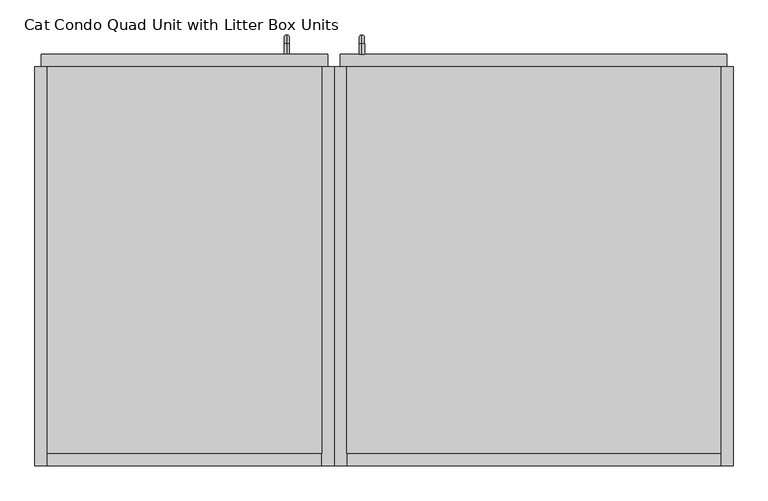
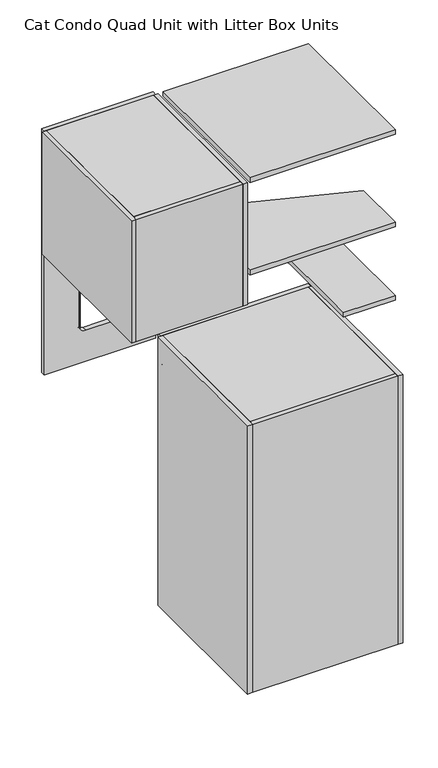
"""IFC4 building model written with IfcOpenShell, lengths in millimetres: proxy geometry, Cat Condo Quad Unit with Litter Box Units."""

from ifc_helpers import new_model, si_unit, point, frame, frame_2d, origin, origin_with_axes, place, context, project, spatial, polyline, circle_curve, ellipse_curve, trimmed, segment, composite_curve, outline, extrude, source, transform, mapped, element, save
from ifc_brep_helpers import plane_surface, cylinder_surface, revolved_surface, advanced_brep


def cat_condo_quad_unit_with_litter_box_units_2b3ce8f5(model_context):
    return source(origin(), model_context, "Body", "SolidModel", [
        extrude(outline(composite_curve([segment(trimmed(circle_curve(frame_2d((765.0919665, 9.6602248)), 0.79375), [point((764.2982165, 9.6602248))], [point((765.8857165, 9.6602248))], False, "CARTESIAN"), True, "CONTINUOUS"), segment(trimmed(circle_curve(frame_2d((765.0919665, 9.6602248)), 0.79375), [point((765.8857165, 9.6602248))], [point((764.2982165, 9.6602248))], False, "CARTESIAN"), True, "CONTINUOUS")], self_intersect=False)), frame((0.0, 0.0, 1243.0125), z_axis=(0.0, 0.0, 1.0), x_axis=(1.0, 0.0, 0.0)), (0.0, 0.0, 1.0), 298.45),
        extrude(outline(polyline([(1619.25, 619.125), (1112.8375, 619.125), (1112.8375, 1057.275), (1619.25, 1057.275), (1619.25, 619.125)]), holes=[composite_curve([segment(trimmed(circle_curve(frame_2d((1514.475, 895.35)), 25.4), [point((1539.875, 895.35))], [point((1514.475, 920.75))], True, "CARTESIAN"), True, "CONTINUOUS"), segment(polyline([(1514.475, 920.75), (1268.4125, 920.75)]), True, "CONTINUOUS"), segment(trimmed(circle_curve(frame_2d((1268.4125, 895.35)), 25.4), [point((1268.4125, 920.75))], [point((1243.0125, 895.35))], True, "CARTESIAN"), True, "CONTINUOUS"), segment(polyline([(1243.0125, 895.35), (1243.0125, 781.05)]), True, "CONTINUOUS"), segment(trimmed(circle_curve(frame_2d((1268.4125, 781.05)), 25.4), [point((1243.0125, 781.05))], [point((1268.4125, 755.65))], True, "CARTESIAN"), True, "CONTINUOUS"), segment(polyline([(1268.4125, 755.65), (1514.475, 755.65)]), True, "CONTINUOUS"), segment(trimmed(circle_curve(frame_2d((1514.475, 781.05)), 25.4), [point((1514.475, 755.65))], [point((1539.875, 781.05))], True, "CARTESIAN"), True, "CONTINUOUS"), segment(polyline([(1539.875, 781.05), (1539.875, 895.35)]), True, "CONTINUOUS")], self_intersect=False)]), frame((0.0, 0.0, 0.0), z_axis=(0.0, 1.0, 0.0), x_axis=(0.0, 0.0, 1.0)), (0.0, 0.0, 1.0), 19.05),
        advanced_brep(
        [(994.1819084, 19.05, 1761.3743154), (994.1819084, 19.05, 1769.2256846), (994.1819084, 35.2117768, 1769.2256846), (994.1819084, 35.2117768, 1761.3743154), (994.1819084, 48.3756846, 1756.0617768), (994.1819084, 40.5243154, 1756.0617768), (994.1819084, 48.3756846, 1672.9382232), (994.1819084, 40.5243154, 1672.9382232), (994.1819084, 35.2117768, 1659.7743154), (994.1819084, 35.2117768, 1667.6256846), (994.1819084, 19.05, 1667.6256846), (994.1819084, 19.05, 1659.7743154)],
        [
            (0, 1, circle_curve(frame((994.1819084, 19.05, 1765.3), z_axis=(0.0, -1.0, 0.0), x_axis=(0.0, 0.0, 1.0)), 3.9256846)),
            (1, 0, circle_curve(frame((994.1819084, 19.05, 1765.3), z_axis=(0.0, -1.0, 0.0), x_axis=(0.0, 0.0, 1.0)), 3.9256846)),
            (1, 2),
            (2, 3, circle_curve(frame((994.1819084, 35.2117768, 1765.3), z_axis=(0.0, -1.0, 0.0), x_axis=(0.0, 0.0, 1.0)), 3.9256846)),
            (3, 0),
            (3, 2, circle_curve(frame((994.1819084, 35.2117768, 1765.3), z_axis=(0.0, -1.0, 0.0), x_axis=(0.0, 0.0, 1.0)), 3.9256846)),
            (4, 5, circle_curve(frame((994.1819084, 44.45, 1756.0617768), z_axis=(0.0, 0.0, 1.0), x_axis=(0.0, 1.0000000000000002, 0.0)), 3.9256846)),
            (5, 3, circle_curve(frame((994.1819084, 35.2117768, 1756.0617768), z_axis=(1.0, 0.0, 0.0), x_axis=(0.0, 0.0, 1.0)), 5.3125387)),
            (2, 4, circle_curve(frame((994.1819084, 35.2117768, 1756.0617768), z_axis=(-1.0, 0.0, 0.0), x_axis=(0.0, 0.0, 1.0)), 13.1639078)),
            (5, 4, circle_curve(frame((994.1819084, 44.45, 1756.0617768), z_axis=(0.0, 0.0, 1.0), x_axis=(0.0, 1.0000000000000002, 0.0)), 3.9256846)),
            (4, 6),
            (6, 7, circle_curve(frame((994.1819084, 44.45, 1672.9382232), z_axis=(0.0, 0.0, 1.0), x_axis=(0.0, 1.0000000000000002, 0.0)), 3.9256846)),
            (7, 5),
            (7, 6, circle_curve(frame((994.1819084, 44.45, 1672.9382232), z_axis=(0.0, 0.0, 1.0), x_axis=(0.0, 1.0000000000000002, 0.0)), 3.9256846)),
            (8, 9, circle_curve(frame((994.1819084, 35.2117768, 1663.7), z_axis=(0.0, 1.0000000000000002, 0.0), x_axis=(0.0, 0.0, -1.0)), 3.9256846)),
            (9, 7, circle_curve(frame((994.1819084, 35.2117768, 1672.9382232), z_axis=(1.0, 0.0, 0.0), x_axis=(0.0, 1.0000000000000002, 0.0)), 5.3125387)),
            (6, 8, circle_curve(frame((994.1819084, 35.2117768, 1672.9382232), z_axis=(-1.0, 0.0, 0.0), x_axis=(0.0, 1.0000000000000002, 0.0)), 13.1639078)),
            (9, 8, circle_curve(frame((994.1819084, 35.2117768, 1663.7), z_axis=(0.0, 1.0000000000000002, 0.0), x_axis=(0.0, 0.0, -1.0)), 3.9256846)),
            (10, 11, circle_curve(frame((994.1819084, 19.05, 1663.7), z_axis=(0.0, -1.0, 0.0), x_axis=(0.0, 0.0, -1.0)), 3.9256846)),
            (11, 10, circle_curve(frame((994.1819084, 19.05, 1663.7), z_axis=(0.0, -1.0, 0.0), x_axis=(0.0, 0.0, -1.0)), 3.9256846)),
            (8, 11),
            (10, 9),
        ],
        [
            plane_surface(frame((994.1819084, 19.05, 1765.3), z_axis=(0.0, -1.0, 0.0), x_axis=(1.0, 0.0, 0.0))),
            cylinder_surface(frame((994.1819084, 19.05, 1765.3), z_axis=(0.0, -1.0000000000000002, 0.0), x_axis=(0.0, 0.0, 1.0)), 3.9256846),
            revolved_surface(trimmed(ellipse_curve(frame((994.1819084, 35.2117768, 1765.3), z_axis=(0.0, 1.0000000000000002, 0.0), x_axis=(0.0, 0.0, 1.0)), 3.9256846, 3.9256846), [point((994.1819084, 35.2117768, 1761.3743154))], [point((994.1819084, 35.2117768, 1769.2256846))], True, "CARTESIAN"), (994.1819084, 35.2117768, 1756.0617768), (1.0000000000000002, 0.0, 0.0)),
            revolved_surface(trimmed(ellipse_curve(frame((994.1819084, 35.2117768, 1765.3), z_axis=(0.0, 1.0000000000000002, 0.0), x_axis=(0.0, 0.0, 1.0)), 3.9256846, 3.9256846), [point((994.1819084, 35.2117768, 1769.2256846))], [point((994.1819084, 35.2117768, 1761.3743154))], True, "CARTESIAN"), (994.1819084, 35.2117768, 1756.0617768), (1.0000000000000002, 0.0, 0.0)),
            cylinder_surface(frame((994.1819084, 44.45, 1756.0617768), z_axis=(0.0, 0.0, 1.0), x_axis=(0.0, 1.0000000000000002, 0.0)), 3.9256846),
            revolved_surface(trimmed(ellipse_curve(frame((994.1819084, 44.45, 1672.9382232), z_axis=(0.0, 0.0, -1.0), x_axis=(0.0, 1.0000000000000002, 0.0)), 3.9256846, 3.9256846), [point((994.1819084, 40.5243154, 1672.9382232))], [point((994.1819084, 48.3756846, 1672.9382232))], True, "CARTESIAN"), (994.1819084, 35.2117768, 1672.9382232), (1.0000000000000002, 0.0, 0.0)),
            revolved_surface(trimmed(ellipse_curve(frame((994.1819084, 44.45, 1672.9382232), z_axis=(0.0, 0.0, -1.0), x_axis=(0.0, 1.0000000000000002, 0.0)), 3.9256846, 3.9256846), [point((994.1819084, 48.3756846, 1672.9382232))], [point((994.1819084, 40.5243154, 1672.9382232))], True, "CARTESIAN"), (994.1819084, 35.2117768, 1672.9382232), (1.0000000000000002, 0.0, 0.0)),
            plane_surface(frame((994.1819084, 19.05, 1663.7), z_axis=(0.0, -1.0, 0.0), x_axis=(1.0, 0.0, 0.0))),
            cylinder_surface(frame((994.1819084, 35.2117768, 1663.7), z_axis=(0.0, 1.0000000000000002, 0.0), x_axis=(0.0, 0.0, -1.0)), 3.9256846),
        ],
        [
            (0, [[1, 2]]),
            (1, [[3, 4, 5, -2]]),
            (1, [[-5, 6, -3, -1]]),
            (2, [[7, 8, -4, 9]]),
            (3, [[10, -9, -6, -8]]),
            (4, [[11, 12, 13, -7]]),
            (4, [[-13, 14, -11, -10]]),
            (5, [[15, 16, -12, 17]]),
            (6, [[18, -17, -14, -16]]),
            (7, [[19, 20]]),
            (8, [[21, -19, 22, -15]]),
            (8, [[-22, -20, -21, -18]]),
        ],
    ),
        extrude(outline(polyline([(1047.75, -590.55), (628.65, -590.55), (628.65, 0.0), (1047.75, 0.0), (1047.75, -590.55)])), frame((0.0, 0.0, 2106.6125), z_axis=(0.0, 0.0, 1.0), x_axis=(1.0, 0.0, 0.0)), (0.0, 0.0, 1.0), 19.05),
        extrude(outline(polyline([(1047.75, 0.0), (1047.75, -590.55), (628.65, -590.55), (628.65, 0.0), (1047.75, 0.0)])), frame((0.0, 0.0, 1619.25), z_axis=(0.0, 0.0, 1.0), x_axis=(1.0, 0.0, 0.0)), (0.0, 0.0, 1.0), 19.05),
        extrude(outline(polyline([(1047.75, -609.6), (1047.75, 0.0), (1066.8, 0.0), (1066.8, -609.6), (1047.75, -609.6)])), frame((0.0, 0.0, 1619.25), z_axis=(0.0, 0.0, 1.0), x_axis=(1.0, 0.0, 0.0)), (0.0, 0.0, 1.0), 506.4125),
        extrude(outline(polyline([(1047.75, -609.6), (628.65, -609.6), (628.65, -590.55), (1047.75, -590.55), (1047.75, -609.6)])), frame((0.0, 0.0, 1619.25), z_axis=(0.0, 0.0, 1.0), x_axis=(1.0, 0.0, 0.0)), (0.0, 0.0, 1.0), 506.4125),
        extrude(outline(polyline([(628.65, -609.6), (609.6, -609.6), (609.6, 0.0), (628.65, 0.0), (628.65, -609.6)])), frame((0.0, 0.0, 1619.25), z_axis=(0.0, 0.0, 1.0), x_axis=(1.0, 0.0, 0.0)), (0.0, 0.0, 1.0), 506.4125),
        extrude(outline(composite_curve([segment(trimmed(circle_curve(frame_2d((9.6602248, 1943.1)), 0.79375), [point((9.6602248, 1943.89375))], [point((9.6602248, 1942.30625))], False, "CARTESIAN"), True, "CONTINUOUS"), segment(trimmed(circle_curve(frame_2d((9.6602248, 1943.1)), 0.79375), [point((9.6602248, 1942.30625))], [point((9.6602248, 1943.89375))], False, "CARTESIAN"), True, "CONTINUOUS")], self_intersect=False)), frame((755.65, 0.0, 0.0), z_axis=(1.0, 0.0, 0.0), x_axis=(0.0, 1.0, 0.0)), (0.0, 0.0, 1.0), 165.1),
        extrude(outline(composite_curve([segment(trimmed(circle_curve(frame_2d((9.6602248, 1839.9125)), 0.79375), [point((9.6602248, 1840.70625))], [point((9.6602248, 1839.11875))], False, "CARTESIAN"), True, "CONTINUOUS"), segment(trimmed(circle_curve(frame_2d((9.6602248, 1839.9125)), 0.79375), [point((9.6602248, 1839.11875))], [point((9.6602248, 1840.70625))], False, "CARTESIAN"), True, "CONTINUOUS")], self_intersect=False)), frame((755.65, 0.0, 0.0), z_axis=(1.0, 0.0, 0.0), x_axis=(0.0, 1.0, 0.0)), (0.0, 0.0, 1.0), 165.1),
        extrude(outline(composite_curve([segment(trimmed(circle_curve(frame_2d((917.4919665, 9.6602248)), 0.79375), [point((916.6982165, 9.6602248))], [point((918.2857165, 9.6602248))], False, "CARTESIAN"), True, "CONTINUOUS"), segment(trimmed(circle_curve(frame_2d((917.4919665, 9.6602248)), 0.79375), [point((918.2857165, 9.6602248))], [point((916.6982165, 9.6602248))], False, "CARTESIAN"), True, "CONTINUOUS")], self_intersect=False)), frame((0.0, 0.0, 1749.425), z_axis=(0.0, 0.0, 1.0), x_axis=(1.0, 0.0, 0.0)), (0.0, 0.0, 1.0), 298.45),
        extrude(outline(composite_curve([segment(trimmed(circle_curve(frame_2d((892.0919665, 9.6602248)), 0.79375), [point((891.2982165, 9.6602248))], [point((892.8857165, 9.6602248))], False, "CARTESIAN"), True, "CONTINUOUS"), segment(trimmed(circle_curve(frame_2d((892.0919665, 9.6602248)), 0.79375), [point((892.8857165, 9.6602248))], [point((891.2982165, 9.6602248))], False, "CARTESIAN"), True, "CONTINUOUS")], self_intersect=False)), frame((0.0, 0.0, 1749.425), z_axis=(0.0, 0.0, 1.0), x_axis=(1.0, 0.0, 0.0)), (0.0, 0.0, 1.0), 298.45),
        extrude(outline(composite_curve([segment(trimmed(circle_curve(frame_2d((866.6919665, 9.6602248)), 0.79375), [point((865.8982165, 9.6602248))], [point((867.4857165, 9.6602248))], False, "CARTESIAN"), True, "CONTINUOUS"), segment(trimmed(circle_curve(frame_2d((866.6919665, 9.6602248)), 0.79375), [point((867.4857165, 9.6602248))], [point((865.8982165, 9.6602248))], False, "CARTESIAN"), True, "CONTINUOUS")], self_intersect=False)), frame((0.0, 0.0, 1749.425), z_axis=(0.0, 0.0, 1.0), x_axis=(1.0, 0.0, 0.0)), (0.0, 0.0, 1.0), 298.45),
        extrude(outline(composite_curve([segment(trimmed(circle_curve(frame_2d((841.2919665, 9.6602248)), 0.79375), [point((840.4982165, 9.6602248))], [point((842.0857165, 9.6602248))], False, "CARTESIAN"), True, "CONTINUOUS"), segment(trimmed(circle_curve(frame_2d((841.2919665, 9.6602248)), 0.79375), [point((842.0857165, 9.6602248))], [point((840.4982165, 9.6602248))], False, "CARTESIAN"), True, "CONTINUOUS")], self_intersect=False)), frame((0.0, 0.0, 1749.425), z_axis=(0.0, 0.0, 1.0), x_axis=(1.0, 0.0, 0.0)), (0.0, 0.0, 1.0), 298.45),
        extrude(outline(composite_curve([segment(trimmed(circle_curve(frame_2d((815.8919665, 9.6602248)), 0.79375), [point((815.0982165, 9.6602248))], [point((816.6857165, 9.6602248))], False, "CARTESIAN"), True, "CONTINUOUS"), segment(trimmed(circle_curve(frame_2d((815.8919665, 9.6602248)), 0.79375), [point((816.6857165, 9.6602248))], [point((815.0982165, 9.6602248))], False, "CARTESIAN"), True, "CONTINUOUS")], self_intersect=False)), frame((0.0, 0.0, 1749.425), z_axis=(0.0, 0.0, 1.0), x_axis=(1.0, 0.0, 0.0)), (0.0, 0.0, 1.0), 298.45),
        extrude(outline(composite_curve([segment(trimmed(circle_curve(frame_2d((790.4919665, 9.6602248)), 0.79375), [point((789.6982165, 9.6602248))], [point((791.2857165, 9.6602248))], False, "CARTESIAN"), True, "CONTINUOUS"), segment(trimmed(circle_curve(frame_2d((790.4919665, 9.6602248)), 0.79375), [point((791.2857165, 9.6602248))], [point((789.6982165, 9.6602248))], False, "CARTESIAN"), True, "CONTINUOUS")], self_intersect=False)), frame((0.0, 0.0, 1749.425), z_axis=(0.0, 0.0, 1.0), x_axis=(1.0, 0.0, 0.0)), (0.0, 0.0, 1.0), 298.45),
        extrude(outline(composite_curve([segment(trimmed(circle_curve(frame_2d((765.0919665, 9.6602248)), 0.79375), [point((764.2982165, 9.6602248))], [point((765.8857165, 9.6602248))], False, "CARTESIAN"), True, "CONTINUOUS"), segment(trimmed(circle_curve(frame_2d((765.0919665, 9.6602248)), 0.79375), [point((765.8857165, 9.6602248))], [point((764.2982165, 9.6602248))], False, "CARTESIAN"), True, "CONTINUOUS")], self_intersect=False)), frame((0.0, 0.0, 1749.425), z_axis=(0.0, 0.0, 1.0), x_axis=(1.0, 0.0, 0.0)), (0.0, 0.0, 1.0), 298.45),
        extrude(outline(composite_curve([segment(trimmed(circle_curve(frame_2d((892.0919665, 9.6602248)), 0.79375), [point((891.2982165, 9.6602248))], [point((892.8857165, 9.6602248))], False, "CARTESIAN"), True, "CONTINUOUS"), segment(trimmed(circle_curve(frame_2d((892.0919665, 9.6602248)), 0.79375), [point((892.8857165, 9.6602248))], [point((891.2982165, 9.6602248))], False, "CARTESIAN"), True, "CONTINUOUS")], self_intersect=False)), frame((0.0, 0.0, 1749.425), z_axis=(0.0, 0.0, 1.0), x_axis=(1.0, 0.0, 0.0)), (0.0, 0.0, 1.0), 298.45),
        extrude(outline(composite_curve([segment(trimmed(circle_curve(frame_2d((866.6919665, 9.6602248)), 0.79375), [point((865.8982165, 9.6602248))], [point((867.4857165, 9.6602248))], False, "CARTESIAN"), True, "CONTINUOUS"), segment(trimmed(circle_curve(frame_2d((866.6919665, 9.6602248)), 0.79375), [point((867.4857165, 9.6602248))], [point((865.8982165, 9.6602248))], False, "CARTESIAN"), True, "CONTINUOUS")], self_intersect=False)), frame((0.0, 0.0, 1749.425), z_axis=(0.0, 0.0, 1.0), x_axis=(1.0, 0.0, 0.0)), (0.0, 0.0, 1.0), 298.45),
        extrude(outline(composite_curve([segment(trimmed(circle_curve(frame_2d((841.2919665, 9.6602248)), 0.79375), [point((840.4982165, 9.6602248))], [point((842.0857165, 9.6602248))], False, "CARTESIAN"), True, "CONTINUOUS"), segment(trimmed(circle_curve(frame_2d((841.2919665, 9.6602248)), 0.79375), [point((842.0857165, 9.6602248))], [point((840.4982165, 9.6602248))], False, "CARTESIAN"), True, "CONTINUOUS")], self_intersect=False)), frame((0.0, 0.0, 1749.425), z_axis=(0.0, 0.0, 1.0), x_axis=(1.0, 0.0, 0.0)), (0.0, 0.0, 1.0), 298.45),
        extrude(outline(composite_curve([segment(trimmed(circle_curve(frame_2d((815.8919665, 9.6602248)), 0.79375), [point((815.0982165, 9.6602248))], [point((816.6857165, 9.6602248))], False, "CARTESIAN"), True, "CONTINUOUS"), segment(trimmed(circle_curve(frame_2d((815.8919665, 9.6602248)), 0.79375), [point((816.6857165, 9.6602248))], [point((815.0982165, 9.6602248))], False, "CARTESIAN"), True, "CONTINUOUS")], self_intersect=False)), frame((0.0, 0.0, 1749.425), z_axis=(0.0, 0.0, 1.0), x_axis=(1.0, 0.0, 0.0)), (0.0, 0.0, 1.0), 298.45),
        extrude(outline(composite_curve([segment(trimmed(circle_curve(frame_2d((790.4919665, 9.6602248)), 0.79375), [point((789.6982165, 9.6602248))], [point((791.2857165, 9.6602248))], False, "CARTESIAN"), True, "CONTINUOUS"), segment(trimmed(circle_curve(frame_2d((790.4919665, 9.6602248)), 0.79375), [point((791.2857165, 9.6602248))], [point((789.6982165, 9.6602248))], False, "CARTESIAN"), True, "CONTINUOUS")], self_intersect=False)), frame((0.0, 0.0, 1749.425), z_axis=(0.0, 0.0, 1.0), x_axis=(1.0, 0.0, 0.0)), (0.0, 0.0, 1.0), 298.45),
        extrude(outline(composite_curve([segment(trimmed(circle_curve(frame_2d((765.0919665, 9.6602248)), 0.79375), [point((764.2982165, 9.6602248))], [point((765.8857165, 9.6602248))], False, "CARTESIAN"), True, "CONTINUOUS"), segment(trimmed(circle_curve(frame_2d((765.0919665, 9.6602248)), 0.79375), [point((765.8857165, 9.6602248))], [point((764.2982165, 9.6602248))], False, "CARTESIAN"), True, "CONTINUOUS")], self_intersect=False)), frame((0.0, 0.0, 1749.425), z_axis=(0.0, 0.0, 1.0), x_axis=(1.0, 0.0, 0.0)), (0.0, 0.0, 1.0), 298.45),
        extrude(outline(polyline([(2125.6625, 619.125), (1619.25, 619.125), (1619.25, 1057.275), (2125.6625, 1057.275), (2125.6625, 619.125)]), holes=[composite_curve([segment(trimmed(circle_curve(frame_2d((2020.8875, 895.35)), 25.4), [point((2046.2875, 895.35))], [point((2020.8875, 920.75))], True, "CARTESIAN"), True, "CONTINUOUS"), segment(polyline([(2020.8875, 920.75), (1774.825, 920.75)]), True, "CONTINUOUS"), segment(trimmed(circle_curve(frame_2d((1774.825, 895.35)), 25.4), [point((1774.825, 920.75))], [point((1749.425, 895.35))], True, "CARTESIAN"), True, "CONTINUOUS"), segment(polyline([(1749.425, 895.35), (1749.425, 781.05)]), True, "CONTINUOUS"), segment(trimmed(circle_curve(frame_2d((1774.825, 781.05)), 25.4), [point((1749.425, 781.05))], [point((1774.825, 755.65))], True, "CARTESIAN"), True, "CONTINUOUS"), segment(polyline([(1774.825, 755.65), (2020.8875, 755.65)]), True, "CONTINUOUS"), segment(trimmed(circle_curve(frame_2d((2020.8875, 781.05)), 25.4), [point((2020.8875, 755.65))], [point((2046.2875, 781.05))], True, "CARTESIAN"), True, "CONTINUOUS"), segment(polyline([(2046.2875, 781.05), (2046.2875, 895.35)]), True, "CONTINUOUS")], self_intersect=False)]), frame((0.0, 0.0, 0.0), z_axis=(0.0, 1.0, 0.0), x_axis=(0.0, 0.0, 1.0)), (0.0, 0.0, 1.0), 19.05),
        advanced_brep(
        [(1109.2871577, 19.05, 1056.5243154), (1109.2871577, 19.05, 1064.3756846), (1109.2871577, 35.2117768, 1064.3756846), (1109.2871577, 35.2117768, 1056.5243154), (1109.2871577, 35.2117768, 962.7756846), (1109.2871577, 35.2117768, 954.9243154), (1109.2871577, 19.05, 954.9243154), (1109.2871577, 19.05, 962.7756846), (1109.2871577, 48.3756846, 1051.2117768), (1109.2871577, 40.5243154, 1051.2117768), (1109.2871577, 40.5243154, 968.0882232), (1109.2871577, 48.3756846, 968.0882232)],
        [
            (0, 1, circle_curve(frame((1109.2871577, 19.05, 1060.45), z_axis=(0.0, -1.0, 0.0), x_axis=(0.0, 0.0, 1.0)), 3.9256846)),
            (1, 0, circle_curve(frame((1109.2871577, 19.05, 1060.45), z_axis=(0.0, -1.0, 0.0), x_axis=(0.0, 0.0, 1.0)), 3.9256846)),
            (1, 2),
            (2, 3, circle_curve(frame((1109.2871577, 35.2117768, 1060.45), z_axis=(0.0, -1.0, 0.0), x_axis=(0.0, 0.0, 1.0)), 3.9256846)),
            (3, 0),
            (4, 5, circle_curve(frame((1109.2871577, 35.2117768, 958.85), z_axis=(0.0, -1.0, 0.0), x_axis=(0.0, 0.0, -1.0)), 3.9256846)),
            (5, 6),
            (6, 7, circle_curve(frame((1109.2871577, 19.05, 958.85), z_axis=(0.0, 1.0, 0.0), x_axis=(0.0, 0.0, -1.0)), 3.9256846)),
            (7, 4),
            (3, 2, circle_curve(frame((1109.2871577, 35.2117768, 1060.45), z_axis=(0.0, -1.0, 0.0), x_axis=(0.0, 0.0, 1.0)), 3.9256846)),
            (8, 2, circle_curve(frame((1109.2871577, 35.2117768, 1051.2117768), z_axis=(1.0, 0.0, 0.0), x_axis=(0.0, 0.0, 1.0)), 13.1639078)),
            (3, 9, circle_curve(frame((1109.2871577, 35.2117768, 1051.2117768), z_axis=(-1.0, 0.0, 0.0), x_axis=(0.0, 0.0, 1.0)), 5.3125387)),
            (9, 8, circle_curve(frame((1109.2871577, 44.45, 1051.2117768), z_axis=(0.0, 0.0, 1.0), x_axis=(0.0, 1.0, 0.0)), 3.9256846)),
            (8, 9, circle_curve(frame((1109.2871577, 44.45, 1051.2117768), z_axis=(0.0, 0.0, 1.0), x_axis=(0.0, 1.0, 0.0)), 3.9256846)),
            (9, 10),
            (10, 11, circle_curve(frame((1109.2871577, 44.45, 968.0882232), z_axis=(0.0, 0.0, 1.0), x_axis=(0.0, 1.0, 0.0)), 3.9256846)),
            (11, 8),
            (11, 10, circle_curve(frame((1109.2871577, 44.45, 968.0882232), z_axis=(0.0, 0.0, 1.0), x_axis=(0.0, 1.0, 0.0)), 3.9256846)),
            (5, 11, circle_curve(frame((1109.2871577, 35.2117768, 968.0882232), z_axis=(1.0, 0.0, 0.0), x_axis=(0.0, 1.0, 0.0)), 13.1639078)),
            (10, 4, circle_curve(frame((1109.2871577, 35.2117768, 968.0882232), z_axis=(-1.0, 0.0, 0.0), x_axis=(0.0, 1.0, 0.0)), 5.3125387)),
            (4, 5, circle_curve(frame((1109.2871577, 35.2117768, 958.85), z_axis=(0.0, 1.0, 0.0), x_axis=(0.0, 0.0, -1.0)), 3.9256846)),
            (6, 7, circle_curve(frame((1109.2871577, 19.05, 958.85), z_axis=(0.0, -1.0, 0.0), x_axis=(0.0, 0.0, -1.0)), 3.9256846)),
        ],
        [
            plane_surface(frame((1109.2871577, 19.05, 1060.45), z_axis=(0.0, -1.0, 0.0), x_axis=(-1.0, 0.0, 0.0))),
            cylinder_surface(frame((1109.2871577, 19.05, 1060.45), z_axis=(0.0, -1.0, 0.0), x_axis=(0.0, 0.0, 1.0)), 3.9256846),
            cylinder_surface(frame((1109.2871577, 35.2117768, 958.85), z_axis=(0.0, 1.0, 0.0), x_axis=(0.0, 0.0, -1.0)), 3.9256846),
            revolved_surface(trimmed(ellipse_curve(frame((1109.2871577, 35.2117768, 1060.45), z_axis=(0.0, -1.0, 0.0), x_axis=(0.0, 0.0, 1.0)), 3.9256846, 3.9256846), [point((1109.2871577, 35.2117768, 1056.5243154))], [point((1109.2871577, 35.2117768, 1064.3756846))], True, "CARTESIAN"), (1109.2871577, 35.2117768, 1051.2117768), (-1.0, 0.0, 0.0)),
            revolved_surface(trimmed(ellipse_curve(frame((1109.2871577, 35.2117768, 1060.45), z_axis=(0.0, -1.0, 0.0), x_axis=(0.0, 0.0, 1.0)), 3.9256846, 3.9256846), [point((1109.2871577, 35.2117768, 1064.3756846))], [point((1109.2871577, 35.2117768, 1056.5243154))], True, "CARTESIAN"), (1109.2871577, 35.2117768, 1051.2117768), (-1.0, 0.0, 0.0)),
            cylinder_surface(frame((1109.2871577, 44.45, 1051.2117768), z_axis=(0.0, 0.0, 1.0), x_axis=(0.0, 1.0, 0.0)), 3.9256846),
            revolved_surface(trimmed(ellipse_curve(frame((1109.2871577, 44.45, 968.0882232), z_axis=(0.0, 0.0, 1.0), x_axis=(0.0, 1.0, 0.0)), 3.9256846, 3.9256846), [point((1109.2871577, 40.5243154, 968.0882232))], [point((1109.2871577, 48.3756846, 968.0882232))], True, "CARTESIAN"), (1109.2871577, 35.2117768, 968.0882232), (-1.0, 0.0, 0.0)),
            revolved_surface(trimmed(ellipse_curve(frame((1109.2871577, 44.45, 968.0882232), z_axis=(0.0, 0.0, 1.0), x_axis=(0.0, 1.0, 0.0)), 3.9256846, 3.9256846), [point((1109.2871577, 48.3756846, 968.0882232))], [point((1109.2871577, 40.5243154, 968.0882232))], True, "CARTESIAN"), (1109.2871577, 35.2117768, 968.0882232), (-1.0, 0.0, 0.0)),
            plane_surface(frame((1109.2871577, 19.05, 958.85), z_axis=(0.0, -1.0, 0.0), x_axis=(-1.0, 0.0, 0.0))),
        ],
        [
            (0, [[1, 2]]),
            (1, [[-2, 3, 4, 5]]),
            (2, [[6, 7, 8, 9]]),
            (1, [[-1, -5, 10, -3]]),
            (3, [[11, -10, 12, 13]]),
            (4, [[-12, -4, -11, 14]]),
            (5, [[-13, 15, 16, 17]]),
            (5, [[-14, -17, 18, -15]]),
            (6, [[19, -16, 20, 21]]),
            (7, [[-20, -18, -19, -6]]),
            (8, [[-8, 22]]),
            (2, [[-21, -9, -22, -7]]),
        ],
    ),
        extrude(outline(polyline([(1085.85, -590.55), (1085.85, 0.0), (1657.35, 0.0), (1657.35, -590.55), (1085.85, -590.55)])), frame((0.0, 0.0, 1095.375), z_axis=(0.0, 0.0, 1.0), x_axis=(1.0, 0.0, 0.0)), (0.0, 0.0, 1.0), 19.05),
        extrude(outline(polyline([(1085.85, -590.55), (1085.85, -166.6410111), (1657.35, -374.65), (1657.35, -590.55), (1085.85, -590.55)])), frame((0.0, 0.0, 711.2), z_axis=(0.0, 0.0, 1.0), x_axis=(1.0, 0.0, 0.0)), (0.0, 0.0, 1.0), 19.05),
        extrude(outline(composite_curve([segment(polyline([(1454.15, -590.55), (1454.15, -101.6)]), True, "CONTINUOUS"), segment(trimmed(circle_curve(frame_2d((1530.35, -101.6)), 76.2), [point((1454.15, -101.6))], [point((1530.35, -25.4))], False, "CARTESIAN"), True, "CONTINUOUS"), segment(polyline([(1530.35, -25.4), (1657.35, -25.4), (1657.35, -590.55), (1454.15, -590.55)]), True, "CONTINUOUS")], self_intersect=False)), frame((0.0, 0.0, 406.4), z_axis=(0.0, 0.0, 1.0), x_axis=(1.0, 0.0, 0.0)), (0.0, 0.0, 1.0), 19.05),
        extrude(outline(polyline([(1085.85, 0.0), (1657.35, 0.0), (1657.35, -590.55), (1085.85, -590.55), (1085.85, 0.0)])), frame((0.0, 0.0, 101.6), z_axis=(0.0, 0.0, 1.0), x_axis=(1.0, 0.0, 0.0)), (0.0, 0.0, 1.0), 19.05),
        extrude(outline(polyline([(1085.85, -19.05), (1085.85, 0.0), (1657.35, 0.0), (1657.35, -19.05), (1085.85, -19.05)])), origin_with_axes(), (0.0, 0.0, 1.0), 101.6),
        extrude(outline(polyline([(1085.85, -609.6), (1066.8, -609.6), (1066.8, 0.0), (1085.85, 0.0), (1085.85, -609.6)])), origin_with_axes(), (0.0, 0.0, 1.0), 1114.425),
        extrude(outline(polyline([(1085.85, -609.6), (1085.85, -590.55), (1657.35, -590.55), (1657.35, -609.6), (1085.85, -609.6)])), origin_with_axes(), (0.0, 0.0, 1.0), 1114.425),
        extrude(outline(polyline([(1657.35, -609.6), (1657.35, 0.0), (1676.4, 0.0), (1676.4, -609.6), (1657.35, -609.6)])), origin_with_axes(), (0.0, 0.0, 1.0), 1114.425),
        extrude(outline(composite_curve([segment(trimmed(circle_curve(frame_2d((9.6602248, 931.8625)), 0.79375), [point((9.6602248, 932.65625))], [point((9.6602248, 931.06875))], False, "CARTESIAN"), True, "CONTINUOUS"), segment(trimmed(circle_curve(frame_2d((9.6602248, 931.8625)), 0.79375), [point((9.6602248, 931.06875))], [point((9.6602248, 932.65625))], False, "CARTESIAN"), True, "CONTINUOUS")], self_intersect=False)), frame((1146.96875, 0.0, 0.0), z_axis=(1.0, 0.0, 0.0), x_axis=(0.0, 1.0, 0.0)), (0.0, 0.0, 1.0), 450.85),
        extrude(outline(composite_curve([segment(trimmed(circle_curve(frame_2d((9.6602248, 830.2625)), 0.79375), [point((9.6602248, 831.05625))], [point((9.6602248, 829.46875))], False, "CARTESIAN"), True, "CONTINUOUS"), segment(trimmed(circle_curve(frame_2d((9.6602248, 830.2625)), 0.79375), [point((9.6602248, 829.46875))], [point((9.6602248, 831.05625))], False, "CARTESIAN"), True, "CONTINUOUS")], self_intersect=False)), frame((1146.96875, 0.0, 0.0), z_axis=(1.0, 0.0, 0.0), x_axis=(0.0, 1.0, 0.0)), (0.0, 0.0, 1.0), 450.85),
        extrude(outline(composite_curve([segment(trimmed(circle_curve(frame_2d((9.6602248, 728.6625)), 0.79375), [point((9.6602248, 729.45625))], [point((9.6602248, 727.86875))], False, "CARTESIAN"), True, "CONTINUOUS"), segment(trimmed(circle_curve(frame_2d((9.6602248, 728.6625)), 0.79375), [point((9.6602248, 727.86875))], [point((9.6602248, 729.45625))], False, "CARTESIAN"), True, "CONTINUOUS")], self_intersect=False)), frame((1146.96875, 0.0, 0.0), z_axis=(1.0, 0.0, 0.0), x_axis=(0.0, 1.0, 0.0)), (0.0, 0.0, 1.0), 450.85),
        extrude(outline(composite_curve([segment(trimmed(circle_curve(frame_2d((9.6602248, 627.0625)), 0.79375), [point((9.6602248, 627.85625))], [point((9.6602248, 626.26875))], False, "CARTESIAN"), True, "CONTINUOUS"), segment(trimmed(circle_curve(frame_2d((9.6602248, 627.0625)), 0.79375), [point((9.6602248, 626.26875))], [point((9.6602248, 627.85625))], False, "CARTESIAN"), True, "CONTINUOUS")], self_intersect=False)), frame((1146.96875, 0.0, 0.0), z_axis=(1.0, 0.0, 0.0), x_axis=(0.0, 1.0, 0.0)), (0.0, 0.0, 1.0), 450.85),
        extrude(outline(composite_curve([segment(trimmed(circle_curve(frame_2d((9.6602248, 525.4625)), 0.79375), [point((9.6602248, 526.25625))], [point((9.6602248, 524.66875))], False, "CARTESIAN"), True, "CONTINUOUS"), segment(trimmed(circle_curve(frame_2d((9.6602248, 525.4625)), 0.79375), [point((9.6602248, 524.66875))], [point((9.6602248, 526.25625))], False, "CARTESIAN"), True, "CONTINUOUS")], self_intersect=False)), frame((1146.96875, 0.0, 0.0), z_axis=(1.0, 0.0, 0.0), x_axis=(0.0, 1.0, 0.0)), (0.0, 0.0, 1.0), 450.85),
        extrude(outline(composite_curve([segment(trimmed(circle_curve(frame_2d((9.6602248, 423.8625)), 0.79375), [point((9.6602248, 424.65625))], [point((9.6602248, 423.06875))], False, "CARTESIAN"), True, "CONTINUOUS"), segment(trimmed(circle_curve(frame_2d((9.6602248, 423.8625)), 0.79375), [point((9.6602248, 423.06875))], [point((9.6602248, 424.65625))], False, "CARTESIAN"), True, "CONTINUOUS")], self_intersect=False)), frame((1146.96875, 0.0, 0.0), z_axis=(1.0, 0.0, 0.0), x_axis=(0.0, 1.0, 0.0)), (0.0, 0.0, 1.0), 450.85),
        extrude(outline(composite_curve([segment(trimmed(circle_curve(frame_2d((9.6602248, 322.2625)), 0.79375), [point((9.6602248, 323.05625))], [point((9.6602248, 321.46875))], False, "CARTESIAN"), True, "CONTINUOUS"), segment(trimmed(circle_curve(frame_2d((9.6602248, 322.2625)), 0.79375), [point((9.6602248, 321.46875))], [point((9.6602248, 323.05625))], False, "CARTESIAN"), True, "CONTINUOUS")], self_intersect=False)), frame((1146.96875, 0.0, 0.0), z_axis=(1.0, 0.0, 0.0), x_axis=(0.0, 1.0, 0.0)), (0.0, 0.0, 1.0), 450.85),
        extrude(outline(composite_curve([segment(trimmed(circle_curve(frame_2d((1165.3080335, 9.6602248)), 0.79375), [point((1166.1017835, 9.6602248))], [point((1164.5142835, 9.6602248))], False, "CARTESIAN"), True, "CONTINUOUS"), segment(trimmed(circle_curve(frame_2d((1165.3080335, 9.6602248)), 0.79375), [point((1164.5142835, 9.6602248))], [point((1166.1017835, 9.6602248))], False, "CARTESIAN"), True, "CONTINUOUS")], self_intersect=False)), frame((0.0, 0.0, 231.775), z_axis=(0.0, 0.0, 1.0), x_axis=(1.0, 0.0, 0.0)), (0.0, 0.0, 1.0), 803.275),
        extrude(outline(composite_curve([segment(trimmed(circle_curve(frame_2d((1190.7080335, 9.6602248)), 0.79375), [point((1191.5017835, 9.6602248))], [point((1189.9142835, 9.6602248))], False, "CARTESIAN"), True, "CONTINUOUS"), segment(trimmed(circle_curve(frame_2d((1190.7080335, 9.6602248)), 0.79375), [point((1189.9142835, 9.6602248))], [point((1191.5017835, 9.6602248))], False, "CARTESIAN"), True, "CONTINUOUS")], self_intersect=False)), frame((0.0, 0.0, 231.775), z_axis=(0.0, 0.0, 1.0), x_axis=(1.0, 0.0, 0.0)), (0.0, 0.0, 1.0), 803.275),
        extrude(outline(composite_curve([segment(trimmed(circle_curve(frame_2d((1216.1080335, 9.6602248)), 0.79375), [point((1216.9017835, 9.6602248))], [point((1215.3142835, 9.6602248))], False, "CARTESIAN"), True, "CONTINUOUS"), segment(trimmed(circle_curve(frame_2d((1216.1080335, 9.6602248)), 0.79375), [point((1215.3142835, 9.6602248))], [point((1216.9017835, 9.6602248))], False, "CARTESIAN"), True, "CONTINUOUS")], self_intersect=False)), frame((0.0, 0.0, 231.775), z_axis=(0.0, 0.0, 1.0), x_axis=(1.0, 0.0, 0.0)), (0.0, 0.0, 1.0), 803.275),
        extrude(outline(composite_curve([segment(trimmed(circle_curve(frame_2d((1241.5080335, 9.6602248)), 0.79375), [point((1242.3017835, 9.6602248))], [point((1240.7142835, 9.6602248))], False, "CARTESIAN"), True, "CONTINUOUS"), segment(trimmed(circle_curve(frame_2d((1241.5080335, 9.6602248)), 0.79375), [point((1240.7142835, 9.6602248))], [point((1242.3017835, 9.6602248))], False, "CARTESIAN"), True, "CONTINUOUS")], self_intersect=False)), frame((0.0, 0.0, 231.775), z_axis=(0.0, 0.0, 1.0), x_axis=(1.0, 0.0, 0.0)), (0.0, 0.0, 1.0), 803.275),
        extrude(outline(composite_curve([segment(trimmed(circle_curve(frame_2d((1266.9080335, 9.6602248)), 0.79375), [point((1267.7017835, 9.6602248))], [point((1266.1142835, 9.6602248))], False, "CARTESIAN"), True, "CONTINUOUS"), segment(trimmed(circle_curve(frame_2d((1266.9080335, 9.6602248)), 0.79375), [point((1266.1142835, 9.6602248))], [point((1267.7017835, 9.6602248))], False, "CARTESIAN"), True, "CONTINUOUS")], self_intersect=False)), frame((0.0, 0.0, 231.775), z_axis=(0.0, 0.0, 1.0), x_axis=(1.0, 0.0, 0.0)), (0.0, 0.0, 1.0), 803.275),
        extrude(outline(composite_curve([segment(trimmed(circle_curve(frame_2d((1292.3080335, 9.6602248)), 0.79375), [point((1293.1017835, 9.6602248))], [point((1291.5142835, 9.6602248))], False, "CARTESIAN"), True, "CONTINUOUS"), segment(trimmed(circle_curve(frame_2d((1292.3080335, 9.6602248)), 0.79375), [point((1291.5142835, 9.6602248))], [point((1293.1017835, 9.6602248))], False, "CARTESIAN"), True, "CONTINUOUS")], self_intersect=False)), frame((0.0, 0.0, 231.775), z_axis=(0.0, 0.0, 1.0), x_axis=(1.0, 0.0, 0.0)), (0.0, 0.0, 1.0), 803.275),
        extrude(outline(composite_curve([segment(trimmed(circle_curve(frame_2d((1317.7080335, 9.6602248)), 0.79375), [point((1318.5017835, 9.6602248))], [point((1316.9142835, 9.6602248))], False, "CARTESIAN"), True, "CONTINUOUS"), segment(trimmed(circle_curve(frame_2d((1317.7080335, 9.6602248)), 0.79375), [point((1316.9142835, 9.6602248))], [point((1318.5017835, 9.6602248))], False, "CARTESIAN"), True, "CONTINUOUS")], self_intersect=False)), frame((0.0, 0.0, 231.775), z_axis=(0.0, 0.0, 1.0), x_axis=(1.0, 0.0, 0.0)), (0.0, 0.0, 1.0), 803.275),
        extrude(outline(composite_curve([segment(trimmed(circle_curve(frame_2d((1343.1080335, 9.6602248)), 0.79375), [point((1343.9017835, 9.6602248))], [point((1342.3142835, 9.6602248))], False, "CARTESIAN"), True, "CONTINUOUS"), segment(trimmed(circle_curve(frame_2d((1343.1080335, 9.6602248)), 0.79375), [point((1342.3142835, 9.6602248))], [point((1343.9017835, 9.6602248))], False, "CARTESIAN"), True, "CONTINUOUS")], self_intersect=False)), frame((0.0, 0.0, 231.775), z_axis=(0.0, 0.0, 1.0), x_axis=(1.0, 0.0, 0.0)), (0.0, 0.0, 1.0), 803.275),
        extrude(outline(composite_curve([segment(trimmed(circle_curve(frame_2d((1368.5080335, 9.6602248)), 0.79375), [point((1369.3017835, 9.6602248))], [point((1367.7142835, 9.6602248))], False, "CARTESIAN"), True, "CONTINUOUS"), segment(trimmed(circle_curve(frame_2d((1368.5080335, 9.6602248)), 0.79375), [point((1367.7142835, 9.6602248))], [point((1369.3017835, 9.6602248))], False, "CARTESIAN"), True, "CONTINUOUS")], self_intersect=False)), frame((0.0, 0.0, 231.775), z_axis=(0.0, 0.0, 1.0), x_axis=(1.0, 0.0, 0.0)), (0.0, 0.0, 1.0), 803.275),
        extrude(outline(composite_curve([segment(trimmed(circle_curve(frame_2d((1393.9080335, 9.6602248)), 0.79375), [point((1394.7017835, 9.6602248))], [point((1393.1142835, 9.6602248))], False, "CARTESIAN"), True, "CONTINUOUS"), segment(trimmed(circle_curve(frame_2d((1393.9080335, 9.6602248)), 0.79375), [point((1393.1142835, 9.6602248))], [point((1394.7017835, 9.6602248))], False, "CARTESIAN"), True, "CONTINUOUS")], self_intersect=False)), frame((0.0, 0.0, 231.775), z_axis=(0.0, 0.0, 1.0), x_axis=(1.0, 0.0, 0.0)), (0.0, 0.0, 1.0), 803.275),
        extrude(outline(composite_curve([segment(trimmed(circle_curve(frame_2d((1419.3080335, 9.6602248)), 0.79375), [point((1420.1017835, 9.6602248))], [point((1418.5142835, 9.6602248))], False, "CARTESIAN"), True, "CONTINUOUS"), segment(trimmed(circle_curve(frame_2d((1419.3080335, 9.6602248)), 0.79375), [point((1418.5142835, 9.6602248))], [point((1420.1017835, 9.6602248))], False, "CARTESIAN"), True, "CONTINUOUS")], self_intersect=False)), frame((0.0, 0.0, 231.775), z_axis=(0.0, 0.0, 1.0), x_axis=(1.0, 0.0, 0.0)), (0.0, 0.0, 1.0), 803.275),
        extrude(outline(composite_curve([segment(trimmed(circle_curve(frame_2d((1444.7080335, 9.6602248)), 0.79375), [point((1445.5017835, 9.6602248))], [point((1443.9142835, 9.6602248))], False, "CARTESIAN"), True, "CONTINUOUS"), segment(trimmed(circle_curve(frame_2d((1444.7080335, 9.6602248)), 0.79375), [point((1443.9142835, 9.6602248))], [point((1445.5017835, 9.6602248))], False, "CARTESIAN"), True, "CONTINUOUS")], self_intersect=False)), frame((0.0, 0.0, 231.775), z_axis=(0.0, 0.0, 1.0), x_axis=(1.0, 0.0, 0.0)), (0.0, 0.0, 1.0), 803.275),
        extrude(outline(composite_curve([segment(trimmed(circle_curve(frame_2d((1470.1080335, 9.6602248)), 0.79375), [point((1470.9017835, 9.6602248))], [point((1469.3142835, 9.6602248))], False, "CARTESIAN"), True, "CONTINUOUS"), segment(trimmed(circle_curve(frame_2d((1470.1080335, 9.6602248)), 0.79375), [point((1469.3142835, 9.6602248))], [point((1470.9017835, 9.6602248))], False, "CARTESIAN"), True, "CONTINUOUS")], self_intersect=False)), frame((0.0, 0.0, 231.775), z_axis=(0.0, 0.0, 1.0), x_axis=(1.0, 0.0, 0.0)), (0.0, 0.0, 1.0), 803.275),
        extrude(outline(composite_curve([segment(trimmed(circle_curve(frame_2d((1495.5080335, 9.6602248)), 0.79375), [point((1496.3017835, 9.6602248))], [point((1494.7142835, 9.6602248))], False, "CARTESIAN"), True, "CONTINUOUS"), segment(trimmed(circle_curve(frame_2d((1495.5080335, 9.6602248)), 0.79375), [point((1494.7142835, 9.6602248))], [point((1496.3017835, 9.6602248))], False, "CARTESIAN"), True, "CONTINUOUS")], self_intersect=False)), frame((0.0, 0.0, 231.775), z_axis=(0.0, 0.0, 1.0), x_axis=(1.0, 0.0, 0.0)), (0.0, 0.0, 1.0), 803.275),
        extrude(outline(composite_curve([segment(trimmed(circle_curve(frame_2d((1520.9080335, 9.6602248)), 0.79375), [point((1521.7017835, 9.6602248))], [point((1520.1142835, 9.6602248))], False, "CARTESIAN"), True, "CONTINUOUS"), segment(trimmed(circle_curve(frame_2d((1520.9080335, 9.6602248)), 0.79375), [point((1520.1142835, 9.6602248))], [point((1521.7017835, 9.6602248))], False, "CARTESIAN"), True, "CONTINUOUS")], self_intersect=False)), frame((0.0, 0.0, 231.775), z_axis=(0.0, 0.0, 1.0), x_axis=(1.0, 0.0, 0.0)), (0.0, 0.0, 1.0), 803.275),
        extrude(outline(composite_curve([segment(trimmed(circle_curve(frame_2d((1546.3080335, 9.6602248)), 0.79375), [point((1547.1017835, 9.6602248))], [point((1545.5142835, 9.6602248))], False, "CARTESIAN"), True, "CONTINUOUS"), segment(trimmed(circle_curve(frame_2d((1546.3080335, 9.6602248)), 0.79375), [point((1545.5142835, 9.6602248))], [point((1547.1017835, 9.6602248))], False, "CARTESIAN"), True, "CONTINUOUS")], self_intersect=False)), frame((0.0, 0.0, 231.775), z_axis=(0.0, 0.0, 1.0), x_axis=(1.0, 0.0, 0.0)), (0.0, 0.0, 1.0), 803.275),
        extrude(outline(composite_curve([segment(trimmed(circle_curve(frame_2d((1571.7080335, 9.6602248)), 0.79375), [point((1572.5017835, 9.6602248))], [point((1570.9142835, 9.6602248))], False, "CARTESIAN"), True, "CONTINUOUS"), segment(trimmed(circle_curve(frame_2d((1571.7080335, 9.6602248)), 0.79375), [point((1570.9142835, 9.6602248))], [point((1572.5017835, 9.6602248))], False, "CARTESIAN"), True, "CONTINUOUS")], self_intersect=False)), frame((0.0, 0.0, 231.775), z_axis=(0.0, 0.0, 1.0), x_axis=(1.0, 0.0, 0.0)), (0.0, 0.0, 1.0), 803.275),
        extrude(outline(polyline([(1114.425, 1666.875), (1114.425, 1076.325), (101.6, 1076.325), (101.6, 1666.875), (1114.425, 1666.875)]), holes=[composite_curve([segment(polyline([(1035.05, 1172.36875), (1035.05, 1572.41875)]), True, "CONTINUOUS"), segment(trimmed(circle_curve(frame_2d((1009.65, 1572.41875)), 25.4), [point((1035.05, 1572.41875))], [point((1009.65, 1597.81875))], True, "CARTESIAN"), True, "CONTINUOUS"), segment(polyline([(1009.65, 1597.81875), (257.175, 1597.81875)]), True, "CONTINUOUS"), segment(trimmed(circle_curve(frame_2d((257.175, 1572.41875)), 25.4), [point((257.175, 1597.81875))], [point((231.775, 1572.41875))], True, "CARTESIAN"), True, "CONTINUOUS"), segment(polyline([(231.775, 1572.41875), (231.775, 1172.36875)]), True, "CONTINUOUS"), segment(trimmed(circle_curve(frame_2d((257.175, 1172.36875)), 25.4), [point((231.775, 1172.36875))], [point((257.175, 1146.96875))], True, "CARTESIAN"), True, "CONTINUOUS"), segment(polyline([(257.175, 1146.96875), (1009.65, 1146.96875)]), True, "CONTINUOUS"), segment(trimmed(circle_curve(frame_2d((1009.65, 1172.36875)), 25.4), [point((1009.65, 1146.96875))], [point((1035.05, 1172.36875))], True, "CARTESIAN"), True, "CONTINUOUS")], self_intersect=False)]), frame((0.0, 0.0, 0.0), z_axis=(0.0, 1.0, 0.0), x_axis=(0.0, 0.0, 1.0)), (0.0, 0.0, 1.0), 19.05),
        advanced_brep(
        [(1109.2871577, 19.05, 1256.5493154), (1109.2871577, 19.05, 1264.4006846), (1109.2871577, 35.2117768, 1256.5493154), (1109.2871577, 35.2117768, 1264.4006846), (1109.2871577, 48.3756846, 1251.2367768), (1109.2871577, 40.5243154, 1251.2367768), (1109.2871577, 40.5243154, 1168.1132232), (1109.2871577, 48.3756846, 1168.1132232), (1109.2871577, 35.2117768, 1154.9493154), (1109.2871577, 35.2117768, 1162.8006846), (1109.2871577, 19.05, 1162.8006846), (1109.2871577, 19.05, 1154.9493154)],
        [
            (0, 1, circle_curve(frame((1109.2871577, 19.05, 1260.475), z_axis=(0.0, -1.0, 0.0), x_axis=(0.0, 0.0, 1.0)), 3.9256846)),
            (1, 0, circle_curve(frame((1109.2871577, 19.05, 1260.475), z_axis=(0.0, -1.0, 0.0), x_axis=(0.0, 0.0, 1.0)), 3.9256846)),
            (0, 2),
            (2, 3, circle_curve(frame((1109.2871577, 35.2117768, 1260.475), z_axis=(0.0, -1.0, 0.0), x_axis=(0.0, 0.0, 1.0)), 3.9256846)),
            (3, 1),
            (3, 2, circle_curve(frame((1109.2871577, 35.2117768, 1260.475), z_axis=(0.0, -1.0, 0.0), x_axis=(0.0, 0.0, 1.0)), 3.9256846)),
            (4, 3, circle_curve(frame((1109.2871577, 35.2117768, 1251.2367768), z_axis=(1.0, 0.0, 0.0), x_axis=(0.0, 0.0, 1.0)), 13.1639078)),
            (2, 5, circle_curve(frame((1109.2871577, 35.2117768, 1251.2367768), z_axis=(-1.0, 0.0, 0.0), x_axis=(0.0, 0.0, 1.0)), 5.3125387)),
            (5, 4, circle_curve(frame((1109.2871577, 44.45, 1251.2367768), z_axis=(0.0, 0.0, 1.0), x_axis=(0.0, 1.0, 0.0)), 3.9256846)),
            (4, 5, circle_curve(frame((1109.2871577, 44.45, 1251.2367768), z_axis=(0.0, 0.0, 1.0), x_axis=(0.0, 1.0, 0.0)), 3.9256846)),
            (5, 6),
            (6, 7, circle_curve(frame((1109.2871577, 44.45, 1168.1132232), z_axis=(0.0, 0.0, 1.0), x_axis=(0.0, 1.0, 0.0)), 3.9256846)),
            (7, 4),
            (7, 6, circle_curve(frame((1109.2871577, 44.45, 1168.1132232), z_axis=(0.0, 0.0, 1.0), x_axis=(0.0, 1.0, 0.0)), 3.9256846)),
            (8, 7, circle_curve(frame((1109.2871577, 35.2117768, 1168.1132232), z_axis=(1.0, 0.0, 0.0), x_axis=(0.0, 1.0, 0.0)), 13.1639078)),
            (6, 9, circle_curve(frame((1109.2871577, 35.2117768, 1168.1132232), z_axis=(-1.0, 0.0, 0.0), x_axis=(0.0, 1.0, 0.0)), 5.3125387)),
            (9, 8, circle_curve(frame((1109.2871577, 35.2117768, 1158.875), z_axis=(0.0, 1.0, 0.0), x_axis=(0.0, 0.0, -1.0)), 3.9256846)),
            (8, 9, circle_curve(frame((1109.2871577, 35.2117768, 1158.875), z_axis=(0.0, 1.0, 0.0), x_axis=(0.0, 0.0, -1.0)), 3.9256846)),
            (10, 11, circle_curve(frame((1109.2871577, 19.05, 1158.875), z_axis=(0.0, -1.0, 0.0), x_axis=(0.0, 0.0, -1.0)), 3.9256846)),
            (11, 10, circle_curve(frame((1109.2871577, 19.05, 1158.875), z_axis=(0.0, -1.0, 0.0), x_axis=(0.0, 0.0, -1.0)), 3.9256846)),
            (9, 10),
            (11, 8),
        ],
        [
            plane_surface(frame((1109.2871577, 19.05, 1260.475), z_axis=(0.0, -1.0, 0.0), x_axis=(-1.0, 0.0, 0.0))),
            cylinder_surface(frame((1109.2871577, 19.05, 1260.475), z_axis=(0.0, -1.0, 0.0), x_axis=(0.0, 0.0, 1.0)), 3.9256846),
            revolved_surface(trimmed(ellipse_curve(frame((1109.2871577, 35.2117768, 1260.475), z_axis=(0.0, -1.0, 0.0), x_axis=(0.0, 0.0, 1.0)), 3.9256846, 3.9256846), [point((1109.2871577, 35.2117768, 1256.5493154))], [point((1109.2871577, 35.2117768, 1264.4006846))], True, "CARTESIAN"), (1109.2871577, 35.2117768, 1251.2367768), (-1.0, 0.0, 0.0)),
            revolved_surface(trimmed(ellipse_curve(frame((1109.2871577, 35.2117768, 1260.475), z_axis=(0.0, -1.0, 0.0), x_axis=(0.0, 0.0, 1.0)), 3.9256846, 3.9256846), [point((1109.2871577, 35.2117768, 1264.4006846))], [point((1109.2871577, 35.2117768, 1256.5493154))], True, "CARTESIAN"), (1109.2871577, 35.2117768, 1251.2367768), (-1.0, 0.0, 0.0)),
            cylinder_surface(frame((1109.2871577, 44.45, 1251.2367768), z_axis=(0.0, 0.0, 1.0), x_axis=(0.0, 1.0, 0.0)), 3.9256846),
            revolved_surface(trimmed(ellipse_curve(frame((1109.2871577, 44.45, 1168.1132232), z_axis=(0.0, 0.0, 1.0), x_axis=(0.0, 1.0, 0.0)), 3.9256846, 3.9256846), [point((1109.2871577, 40.5243154, 1168.1132232))], [point((1109.2871577, 48.3756846, 1168.1132232))], True, "CARTESIAN"), (1109.2871577, 35.2117768, 1168.1132232), (-1.0, 0.0, 0.0)),
            revolved_surface(trimmed(ellipse_curve(frame((1109.2871577, 44.45, 1168.1132232), z_axis=(0.0, 0.0, 1.0), x_axis=(0.0, 1.0, 0.0)), 3.9256846, 3.9256846), [point((1109.2871577, 48.3756846, 1168.1132232))], [point((1109.2871577, 40.5243154, 1168.1132232))], True, "CARTESIAN"), (1109.2871577, 35.2117768, 1168.1132232), (-1.0, 0.0, 0.0)),
            plane_surface(frame((1109.2871577, 19.05, 1158.875), z_axis=(0.0, -1.0, 0.0), x_axis=(-1.0, 0.0, 0.0))),
            cylinder_surface(frame((1109.2871577, 35.2117768, 1158.875), z_axis=(0.0, 1.0, 0.0), x_axis=(0.0, 0.0, -1.0)), 3.9256846),
        ],
        [
            (0, [[1, 2]]),
            (1, [[-1, 3, 4, 5]]),
            (1, [[-2, -5, 6, -3]]),
            (2, [[7, -4, 8, 9]]),
            (3, [[-8, -6, -7, 10]]),
            (4, [[-9, 11, 12, 13]]),
            (4, [[-10, -13, 14, -11]]),
            (5, [[15, -12, 16, 17]]),
            (6, [[-16, -14, -15, 18]]),
            (7, [[19, 20]]),
            (8, [[-17, 21, -20, 22]]),
            (8, [[-18, -22, -19, -21]]),
        ],
    ),
        extrude(outline(polyline([(1085.85, -590.55), (1085.85, 0.0), (1657.35, 0.0), (1657.35, -590.55), (1085.85, -590.55)])), frame((0.0, 0.0, 2108.2), z_axis=(0.0, 0.0, 1.0), x_axis=(1.0, 0.0, 0.0)), (0.0, 0.0, 1.0), 19.05),
        extrude(outline(polyline([(1085.85, -590.55), (1085.85, -166.6410111), (1657.35, -374.65), (1657.35, -590.55), (1085.85, -590.55)])), frame((0.0, 0.0, 1724.025), z_axis=(0.0, 0.0, 1.0), x_axis=(1.0, 0.0, 0.0)), (0.0, 0.0, 1.0), 19.05),
        extrude(outline(composite_curve([segment(polyline([(1454.15, -590.55), (1454.15, -101.6)]), True, "CONTINUOUS"), segment(trimmed(circle_curve(frame_2d((1530.35, -101.6)), 76.2), [point((1454.15, -101.6))], [point((1530.35, -25.4))], False, "CARTESIAN"), True, "CONTINUOUS"), segment(polyline([(1530.35, -25.4), (1657.35, -25.4), (1657.35, -590.55), (1454.15, -590.55)]), True, "CONTINUOUS")], self_intersect=False)), frame((0.0, 0.0, 1419.225), z_axis=(0.0, 0.0, 1.0), x_axis=(1.0, 0.0, 0.0)), (0.0, 0.0, 1.0), 19.05),
    ])


if __name__ == "__main__":
    model = new_model("IFC4")
    model_context = context("Model", 3, world=origin())
    ifc_project = project(units=[si_unit("LENGTHUNIT", "METRE", prefix="MILLI")], contexts=[model_context])
    site = spatial("IfcSite", under=ifc_project)
    building = spatial("IfcBuilding", under=site)
    placement = place(None, origin())
    cat_condo_quad_unit_with_litter_box_units_shape = cat_condo_quad_unit_with_litter_box_units_2b3ce8f5(model_context)
    element("IfcBuildingElementProxy", 1, Name="Cat Condo Quad Unit with Litter Box Units", ObjectType="Cat Condo Quad Unit with Litter Box Units", at=placement, inside=building, context=model_context, shape_type="MappedRepresentation", body=[
        mapped(cat_condo_quad_unit_with_litter_box_units_shape, transform((0.0, 0.0, 0.0), x_axis=(1.0, 0.0, 0.0), y_axis=(0.0, 1.0, 0.0), z_axis=(0.0, 0.0, 1.0))),
    ])
    save(model, "model.ifc")
